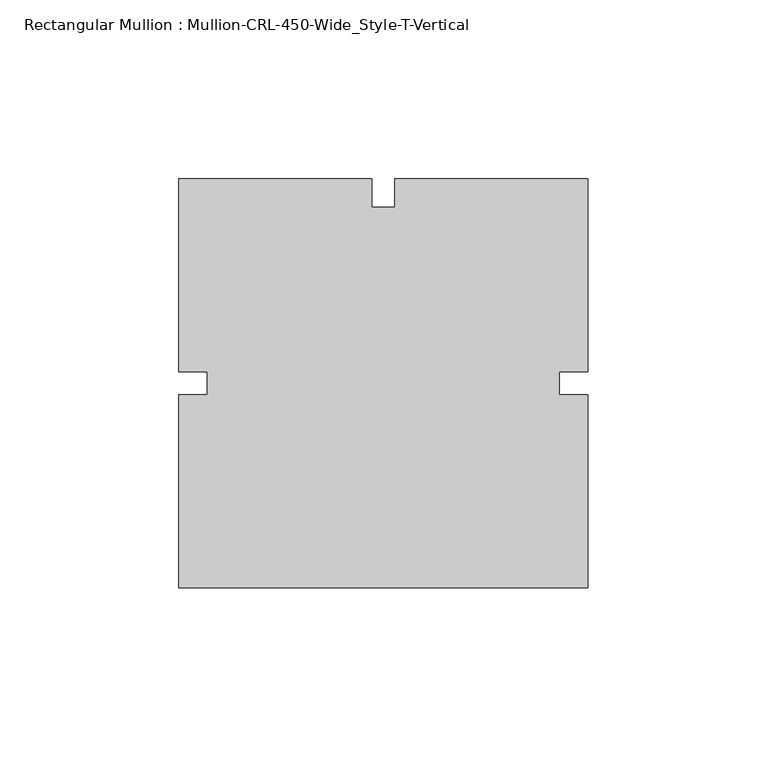
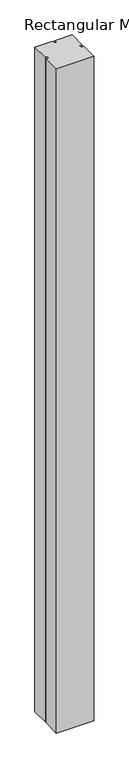
"""IFC4 building model written with IfcOpenShell, lengths in millimetres: member geometry, Rectangular Mullion : Mullion-CRL-450-Wide_Style-T-Vertical."""

from ifc_helpers import new_model, si_unit, frame, origin, place, context, project, spatial, polyline, outline, extrude, source, transform, mapped, element, save


def rectangular_mullion_mullion_crl_450_wide_style_t_vertical_4a3552ee(model_context):
    return source(origin(), model_context, "Body", "SweptSolid", [
        extrude(outline(polyline([(57.15, -57.15), (-57.15, -57.15), (-57.15, -3.175), (-49.2125, -3.175), (-49.2125, 3.175), (-57.15, 3.175), (-57.15, 57.15), (-3.1840868, 57.15), (-3.1840868, 49.2125), (3.1840868, 49.2125), (3.1840868, 57.15), (57.15, 57.15), (57.15, 3.175), (49.2125, 3.175), (49.2125, -3.175), (57.15, -3.175), (57.15, -57.15)])), frame((0.0, 0.0, -2149.475), z_axis=(0.0, 0.0, 1.0), x_axis=(1.0, 0.0, 0.0)), (0.0, 0.0, 1.0), 2149.475),
    ])


if __name__ == "__main__":
    model = new_model("IFC4")
    model_context = context("Model", 3, world=origin())
    ifc_project = project(units=[si_unit("LENGTHUNIT", "METRE", prefix="MILLI")], contexts=[model_context])
    site = spatial("IfcSite", under=ifc_project)
    building = spatial("IfcBuilding", under=site)
    placement = place(None, origin())
    rectangular_mullion_mullion_crl_450_wide_style_t_vertical_shape = rectangular_mullion_mullion_crl_450_wide_style_t_vertical_4a3552ee(model_context)
    element("IfcMember", 1, ObjectType="Rectangular Mullion : Mullion-CRL-450-Wide_Style-T-Vertical", at=placement, inside=building, context=model_context, shape_type="MappedRepresentation", body=[
        mapped(rectangular_mullion_mullion_crl_450_wide_style_t_vertical_shape, transform((0.0, 0.0, 0.0), x_axis=(1.0, 0.0, 0.0), y_axis=(0.0, 1.0, 0.0), z_axis=(0.0, 0.0, 1.0))),
    ])
    save(model, "model.ifc")
